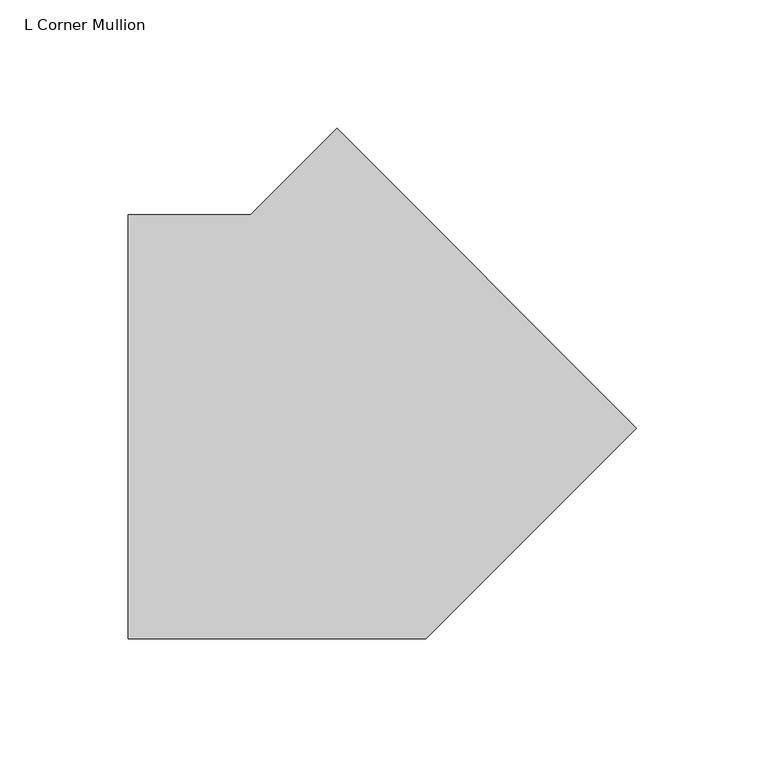
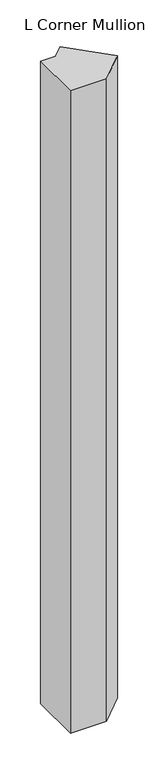
"""IFC4 building model written with IfcOpenShell, lengths in millimetres: member geometry, L Corner Mullion."""

import ifcopenshell
import ifcopenshell.guid

model = None  # the IFC model being written
_history = None  # IfcOwnerHistory: only IFC2X3 demands one
_inside = {}  # id of a spatial element -> (the spatial element, [elements in it])
_under = {}  # id of a project, library or spatial element -> (it, [spatial elements below it])
_declared = {}  # id of a project -> (the project, [libraries it declares])
_typed = {}  # id of a type object -> (the type object, [elements of that type])
_made_of = {}  # id of a material, layer set ... -> (it, [elements and type objects made of it])


def new_model(schema):
    """Start an empty IFC model of exactly this schema.

    Asked for "IFC4X3", IfcOpenShell would pick the latest addendum, in which some entities
    have other attributes; the version numbers below select the first issue.
    IFC2X3 requires an IfcOwnerHistory on every rooted entity: one is made here for all.
    """
    global model, _history
    if schema == "IFC4X3":
        model = ifcopenshell.file(schema_version=(4, 3, 0, 0))
    else:
        model = ifcopenshell.file(schema=schema)
    _inside.clear()
    _under.clear()
    _declared.clear()
    _typed.clear()
    _made_of.clear()
    _history = None
    if model.schema == "IFC2X3":
        org = make("IfcOrganization", Name="unknown")
        user = make(
            "IfcPersonAndOrganization",
            ThePerson=make("IfcPerson", FamilyName="unknown"),
            TheOrganization=org,
        )
        app = make(
            "IfcApplication",
            ApplicationDeveloper=org,
            Version="unknown",
            ApplicationFullName="unknown",
            ApplicationIdentifier="unknown",
        )
        _history = make(
            "IfcOwnerHistory",
            OwningUser=user,
            OwningApplication=app,
            ChangeAction="ADDED",
            CreationDate=0,
        )
    return model


def make(cls, **values):
    """One entity of the class cls with the attributes given. An attribute that is None is left unset."""
    return model.create_entity(
        cls, **{name: value for name, value in values.items() if value is not None}
    )


def rooted(cls, **values):
    """An entity with a GlobalId (a new one), such as an element, a storey or a relation."""
    return make(cls, GlobalId=ifcopenshell.guid.new(), OwnerHistory=_history, **values)


def si_unit(unit_type, name, prefix=None):
    """IfcSIUnit, for example si_unit("LENGTHUNIT", "METRE", prefix="MILLI")."""
    return make("IfcSIUnit", UnitType=unit_type, Prefix=prefix, Name=name)


def assignment(units):
    """IfcUnitAssignment: the units of a project."""
    return None if units is None else make("IfcUnitAssignment", Units=units)


def point(xyz):
    """IfcCartesianPoint."""
    return None if xyz is None else make("IfcCartesianPoint", Coordinates=xyz)


def direction(xyz):
    """IfcDirection."""
    return None if xyz is None else make("IfcDirection", DirectionRatios=xyz)


def frame(location, z_axis=None, x_axis=None):
    """IfcAxis2Placement3D, a coordinate frame: its origin and axes. An axis left out is left unset."""
    return make(
        "IfcAxis2Placement3D",
        Location=point(location),
        Axis=direction(z_axis),
        RefDirection=direction(x_axis),
    )


def origin():
    """The frame at (0, 0, 0) with its axes left unset."""
    return frame((0.0, 0.0, 0.0))


def place(relative_to, where):
    """IfcLocalPlacement: puts the frame where relative to a parent placement (None: the world)."""
    return make(
        "IfcLocalPlacement", PlacementRelTo=relative_to, RelativePlacement=where
    )


def context(
    kind, dimensions, precision=None, world=None, true_north=None, identifier=None
):
    """IfcGeometricRepresentationContext, for example the 3D "Model" context."""
    return make(
        "IfcGeometricRepresentationContext",
        ContextIdentifier=identifier,
        ContextType=kind,
        CoordinateSpaceDimension=dimensions,
        Precision=precision,
        WorldCoordinateSystem=world,
        TrueNorth=true_north,
    )


def project(units=None, contexts=None):
    """IfcProject with its units and contexts."""
    return rooted(
        "IfcProject",
        Name="project",
        RepresentationContexts=contexts,
        UnitsInContext=assignment(units),
    )


def spatial(cls, under=None, at=None, **own):
    """A site, building, storey or space (cls), placed at a placement, below another one or the project."""
    s = rooted(cls, ObjectPlacement=at, **own)
    if under is not None:
        _under.setdefault(under.id(), (under, []))[1].append(s)
    return s


def polyline(points):
    """IfcPolyline through the points."""
    return make("IfcPolyline", Points=[point(p) for p in points])


def outline(outer, holes=None, kind="AREA"):
    """IfcArbitraryClosedProfileDef: a profile drawn as a closed curve; with holes, ...WithVoids."""
    if holes is None:
        return make("IfcArbitraryClosedProfileDef", ProfileType=kind, OuterCurve=outer)
    return make(
        "IfcArbitraryProfileDefWithVoids",
        ProfileType=kind,
        OuterCurve=outer,
        InnerCurves=holes,
    )


def extrude(swept, where, along, depth):
    """IfcExtrudedAreaSolid: the profile swept, set in the frame where, extruded along a direction by depth."""
    return make(
        "IfcExtrudedAreaSolid",
        SweptArea=swept,
        Position=where,
        ExtrudedDirection=direction(along),
        Depth=depth,
    )


def shape(context_of_items, identifier, shape_type, items):
    """IfcShapeRepresentation: the items that make up one representation, for example the "Body"."""
    return make(
        "IfcShapeRepresentation",
        ContextOfItems=context_of_items,
        RepresentationIdentifier=identifier,
        RepresentationType=shape_type,
        Items=items,
    )


def source(mapping_origin, context_of_items, identifier, shape_type, items):
    """IfcRepresentationMap: a shape defined once, which mapped items show again and again."""
    return make(
        "IfcRepresentationMap",
        MappingOrigin=mapping_origin,
        MappedRepresentation=shape(context_of_items, identifier, shape_type, items),
    )


def transform(
    local_origin,
    x_axis=None,
    y_axis=None,
    z_axis=None,
    scale=None,
    scale2=None,
    scale3=None,
    uniform=True,
):
    """IfcCartesianTransformationOperator3D, or its non-uniform kind. x_axis, y_axis, z_axis: its Axis1, 2, 3."""
    if uniform:
        return make(
            "IfcCartesianTransformationOperator3D",
            Axis1=direction(x_axis),
            Axis2=direction(y_axis),
            LocalOrigin=point(local_origin),
            Scale=scale,
            Axis3=direction(z_axis),
        )
    return make(
        "IfcCartesianTransformationOperator3DnonUniform",
        Axis1=direction(x_axis),
        Axis2=direction(y_axis),
        LocalOrigin=point(local_origin),
        Scale=scale,
        Axis3=direction(z_axis),
        Scale2=scale2,
        Scale3=scale3,
    )


def mapped(mapping_source, mapping_target):
    """IfcMappedItem: shows the shape of a source again, moved by a transform."""
    return make(
        "IfcMappedItem", MappingSource=mapping_source, MappingTarget=mapping_target
    )


def made_of(thing, what):
    """Note that an element or type object is made of a material, layer set ...; save() writes the relation."""
    if what is not None:
        _made_of.setdefault(what.id(), (what, []))[1].append(thing)
    return thing


def element(
    cls,
    number,
    at=None,
    inside=None,
    cuts=None,
    type_object=None,
    material=None,
    context=None,
    identifier="Body",
    shape_type=None,
    held_by="IfcProductDefinitionShape",
    body=None,
    shapes=None,
    **own,
):
    """One element of the class cls, such as IfcWall. Its Tag is "e" and its number.

    at: its placement. inside: the storey or other place that contains it. cuts: it is an
    opening in that element (IfcRelVoidsElement). A single representation is given by context,
    identifier, shape_type and body (its items); several are given by shapes. held_by: the class
    of the entity that holds the representations. save() writes the other relations.
    """
    e = rooted(cls, Tag="e%d" % number, ObjectPlacement=at, **own)
    if body is not None:
        shapes = [shape(context, identifier, shape_type, body)]
    if shapes is not None:
        e.Representation = make(held_by, Representations=shapes)
    if inside is not None:
        _inside.setdefault(inside.id(), (inside, []))[1].append(e)
    if cuts is not None:
        rooted(
            "IfcRelVoidsElement", RelatingBuildingElement=cuts, RelatedOpeningElement=e
        )
    if type_object is not None:
        _typed.setdefault(type_object.id(), (type_object, []))[1].append(e)
    return made_of(e, material)


def aggregate(whole, parts):
    """IfcRelAggregates: a whole, such as a stair, and the parts it consists of."""
    return rooted("IfcRelAggregates", RelatingObject=whole, RelatedObjects=parts)


def save(model, path):
    """Write the relations noted so far, then the file.

    IfcRelAggregates (storeys below a building ...), IfcRelContainedInSpatialStructure (elements
    in a storey), IfcRelDefinesByType, IfcRelAssociatesMaterial and IfcRelDeclares: one each for
    every whole, place, type object, material and project.
    """
    for whole, parts in _under.values():
        aggregate(whole, parts)
    for where, things in _inside.values():
        rooted(
            "IfcRelContainedInSpatialStructure",
            RelatedElements=things,
            RelatingStructure=where,
        )
    for kind, things in _typed.values():
        rooted("IfcRelDefinesByType", RelatedObjects=things, RelatingType=kind)
    for what, things in _made_of.values():
        rooted("IfcRelAssociatesMaterial", RelatedObjects=things, RelatingMaterial=what)
    for by, libraries in _declared.values():
        rooted("IfcRelDeclares", RelatingContext=by, RelatedDefinitions=libraries)
    model.write(path)


def l_corner_mullion_0f81ab65(model_context):
    return source(origin(), model_context, "Body", "SweptSolid", [
        extrude(outline(polyline([(87.3194045, 69.3588922), (5.2605122, -12.7), (-110.7882861, -12.7), (-110.7882861, 152.4), (-63.1261469, 152.4), (-29.4239251, 186.1022218), (87.3194045, 69.3588922)])), frame((0.0, 0.0, -2177.0930655), z_axis=(0.0, 0.0, 1.0), x_axis=(1.0, 0.0, 0.0)), (0.0, 0.0, 1.0), 2177.0930655),
    ])


if __name__ == "__main__":
    model = new_model("IFC4")
    model_context = context("Model", 3, world=origin())
    ifc_project = project(units=[si_unit("LENGTHUNIT", "METRE", prefix="MILLI")], contexts=[model_context])
    site = spatial("IfcSite", under=ifc_project)
    building = spatial("IfcBuilding", under=site)
    placement = place(None, origin())
    l_corner_mullion_shape = l_corner_mullion_0f81ab65(model_context)
    element("IfcMember", 1, ObjectType="L Corner Mullion", at=placement, inside=building, context=model_context, shape_type="MappedRepresentation", body=[
        mapped(l_corner_mullion_shape, transform((0.0, 0.0, 0.0), x_axis=(1.0, 0.0, 0.0), y_axis=(0.0, 1.0, 0.0), z_axis=(0.0, 0.0, 1.0))),
    ])
    save(model, "model.ifc")
